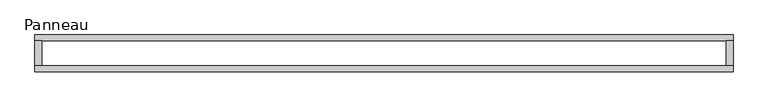
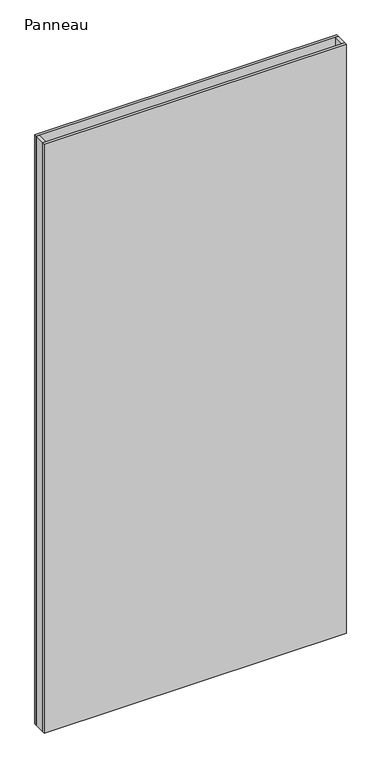
"""IFC4 building model written with IfcOpenShell, lengths in millimetres: plate geometry, Panneau."""

from ifc_helpers import new_model, si_unit, origin, origin_with_axes, place, context, project, spatial, polyline, outline, extrude, source, transform, mapped, element, save


def panneau_08e904cd(model_context):
    return source(origin(), model_context, "Body", "SweptSolid", [
        extrude(outline(polyline([(706.628037, -37.2), (-706.628037, -37.2), (-706.628037, -25.2), (706.628037, -25.2), (706.628037, -37.2)])), origin_with_axes(), (0.0, 0.0, 1.0), 2915.0),
        extrude(outline(polyline([(-692.628037, 25.2), (-692.628037, -25.2), (-706.628037, -25.2), (-706.628037, 25.2), (-692.628037, 25.2)])), origin_with_axes(), (0.0, 0.0, 1.0), 2915.0),
        extrude(outline(polyline([(706.628037, 25.2), (706.628037, -25.2), (692.628037, -25.2), (692.628037, 25.2), (706.628037, 25.2)])), origin_with_axes(), (0.0, 0.0, 1.0), 2915.0),
        extrude(outline(polyline([(706.628037, 25.2), (-706.628037, 25.2), (-706.628037, 37.2), (706.628037, 37.2), (706.628037, 25.2)])), origin_with_axes(), (0.0, 0.0, 1.0), 2915.0),
    ])


if __name__ == "__main__":
    model = new_model("IFC4")
    model_context = context("Model", 3, world=origin())
    ifc_project = project(units=[si_unit("LENGTHUNIT", "METRE", prefix="MILLI")], contexts=[model_context])
    site = spatial("IfcSite", under=ifc_project)
    building = spatial("IfcBuilding", under=site)
    placement = place(None, origin())
    panneau_shape = panneau_08e904cd(model_context)
    element("IfcPlate", 1, ObjectType="Panneau", at=placement, inside=building, context=model_context, shape_type="MappedRepresentation", body=[
        mapped(panneau_shape, transform((0.0, 0.0, 0.0), x_axis=(1.0, 0.0, 0.0), y_axis=(0.0, 1.0, 0.0), z_axis=(0.0, 0.0, 1.0))),
    ])
    save(model, "model.ifc")
